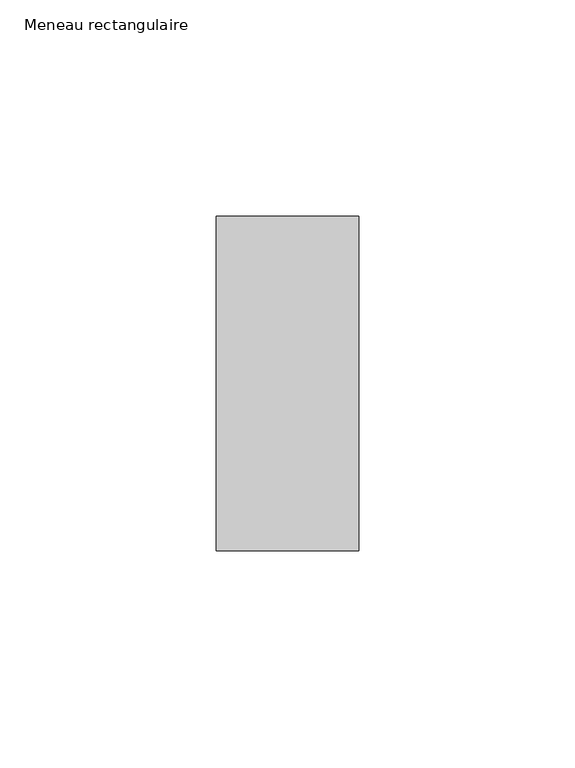
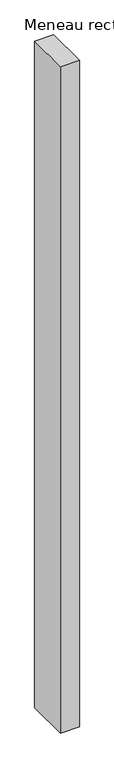
"""IFC4 building model written with IfcOpenShell, lengths in millimetres: member geometry, Meneau rectangulaire."""

import ifcopenshell
import ifcopenshell.guid

model = None  # the IFC model being written
_history = None  # IfcOwnerHistory: only IFC2X3 demands one
_inside = {}  # id of a spatial element -> (the spatial element, [elements in it])
_under = {}  # id of a project, library or spatial element -> (it, [spatial elements below it])
_declared = {}  # id of a project -> (the project, [libraries it declares])
_typed = {}  # id of a type object -> (the type object, [elements of that type])
_made_of = {}  # id of a material, layer set ... -> (it, [elements and type objects made of it])


def new_model(schema):
    """Start an empty IFC model of exactly this schema.

    Asked for "IFC4X3", IfcOpenShell would pick the latest addendum, in which some entities
    have other attributes; the version numbers below select the first issue.
    IFC2X3 requires an IfcOwnerHistory on every rooted entity: one is made here for all.
    """
    global model, _history
    if schema == "IFC4X3":
        model = ifcopenshell.file(schema_version=(4, 3, 0, 0))
    else:
        model = ifcopenshell.file(schema=schema)
    _inside.clear()
    _under.clear()
    _declared.clear()
    _typed.clear()
    _made_of.clear()
    _history = None
    if model.schema == "IFC2X3":
        org = make("IfcOrganization", Name="unknown")
        user = make(
            "IfcPersonAndOrganization",
            ThePerson=make("IfcPerson", FamilyName="unknown"),
            TheOrganization=org,
        )
        app = make(
            "IfcApplication",
            ApplicationDeveloper=org,
            Version="unknown",
            ApplicationFullName="unknown",
            ApplicationIdentifier="unknown",
        )
        _history = make(
            "IfcOwnerHistory",
            OwningUser=user,
            OwningApplication=app,
            ChangeAction="ADDED",
            CreationDate=0,
        )
    return model


def make(cls, **values):
    """One entity of the class cls with the attributes given. An attribute that is None is left unset."""
    return model.create_entity(
        cls, **{name: value for name, value in values.items() if value is not None}
    )


def rooted(cls, **values):
    """An entity with a GlobalId (a new one), such as an element, a storey or a relation."""
    return make(cls, GlobalId=ifcopenshell.guid.new(), OwnerHistory=_history, **values)


def si_unit(unit_type, name, prefix=None):
    """IfcSIUnit, for example si_unit("LENGTHUNIT", "METRE", prefix="MILLI")."""
    return make("IfcSIUnit", UnitType=unit_type, Prefix=prefix, Name=name)


def assignment(units):
    """IfcUnitAssignment: the units of a project."""
    return None if units is None else make("IfcUnitAssignment", Units=units)


def point(xyz):
    """IfcCartesianPoint."""
    return None if xyz is None else make("IfcCartesianPoint", Coordinates=xyz)


def direction(xyz):
    """IfcDirection."""
    return None if xyz is None else make("IfcDirection", DirectionRatios=xyz)


def frame(location, z_axis=None, x_axis=None):
    """IfcAxis2Placement3D, a coordinate frame: its origin and axes. An axis left out is left unset."""
    return make(
        "IfcAxis2Placement3D",
        Location=point(location),
        Axis=direction(z_axis),
        RefDirection=direction(x_axis),
    )


def origin():
    """The frame at (0, 0, 0) with its axes left unset."""
    return frame((0.0, 0.0, 0.0))


def place(relative_to, where):
    """IfcLocalPlacement: puts the frame where relative to a parent placement (None: the world)."""
    return make(
        "IfcLocalPlacement", PlacementRelTo=relative_to, RelativePlacement=where
    )


def context(
    kind, dimensions, precision=None, world=None, true_north=None, identifier=None
):
    """IfcGeometricRepresentationContext, for example the 3D "Model" context."""
    return make(
        "IfcGeometricRepresentationContext",
        ContextIdentifier=identifier,
        ContextType=kind,
        CoordinateSpaceDimension=dimensions,
        Precision=precision,
        WorldCoordinateSystem=world,
        TrueNorth=true_north,
    )


def project(units=None, contexts=None):
    """IfcProject with its units and contexts."""
    return rooted(
        "IfcProject",
        Name="project",
        RepresentationContexts=contexts,
        UnitsInContext=assignment(units),
    )


def spatial(cls, under=None, at=None, **own):
    """A site, building, storey or space (cls), placed at a placement, below another one or the project."""
    s = rooted(cls, ObjectPlacement=at, **own)
    if under is not None:
        _under.setdefault(under.id(), (under, []))[1].append(s)
    return s


def polyline(points):
    """IfcPolyline through the points."""
    return make("IfcPolyline", Points=[point(p) for p in points])


def outline(outer, holes=None, kind="AREA"):
    """IfcArbitraryClosedProfileDef: a profile drawn as a closed curve; with holes, ...WithVoids."""
    if holes is None:
        return make("IfcArbitraryClosedProfileDef", ProfileType=kind, OuterCurve=outer)
    return make(
        "IfcArbitraryProfileDefWithVoids",
        ProfileType=kind,
        OuterCurve=outer,
        InnerCurves=holes,
    )


def extrude(swept, where, along, depth):
    """IfcExtrudedAreaSolid: the profile swept, set in the frame where, extruded along a direction by depth."""
    return make(
        "IfcExtrudedAreaSolid",
        SweptArea=swept,
        Position=where,
        ExtrudedDirection=direction(along),
        Depth=depth,
    )


def shape(context_of_items, identifier, shape_type, items):
    """IfcShapeRepresentation: the items that make up one representation, for example the "Body"."""
    return make(
        "IfcShapeRepresentation",
        ContextOfItems=context_of_items,
        RepresentationIdentifier=identifier,
        RepresentationType=shape_type,
        Items=items,
    )


def source(mapping_origin, context_of_items, identifier, shape_type, items):
    """IfcRepresentationMap: a shape defined once, which mapped items show again and again."""
    return make(
        "IfcRepresentationMap",
        MappingOrigin=mapping_origin,
        MappedRepresentation=shape(context_of_items, identifier, shape_type, items),
    )


def transform(
    local_origin,
    x_axis=None,
    y_axis=None,
    z_axis=None,
    scale=None,
    scale2=None,
    scale3=None,
    uniform=True,
):
    """IfcCartesianTransformationOperator3D, or its non-uniform kind. x_axis, y_axis, z_axis: its Axis1, 2, 3."""
    if uniform:
        return make(
            "IfcCartesianTransformationOperator3D",
            Axis1=direction(x_axis),
            Axis2=direction(y_axis),
            LocalOrigin=point(local_origin),
            Scale=scale,
            Axis3=direction(z_axis),
        )
    return make(
        "IfcCartesianTransformationOperator3DnonUniform",
        Axis1=direction(x_axis),
        Axis2=direction(y_axis),
        LocalOrigin=point(local_origin),
        Scale=scale,
        Axis3=direction(z_axis),
        Scale2=scale2,
        Scale3=scale3,
    )


def mapped(mapping_source, mapping_target):
    """IfcMappedItem: shows the shape of a source again, moved by a transform."""
    return make(
        "IfcMappedItem", MappingSource=mapping_source, MappingTarget=mapping_target
    )


def made_of(thing, what):
    """Note that an element or type object is made of a material, layer set ...; save() writes the relation."""
    if what is not None:
        _made_of.setdefault(what.id(), (what, []))[1].append(thing)
    return thing


def element(
    cls,
    number,
    at=None,
    inside=None,
    cuts=None,
    type_object=None,
    material=None,
    context=None,
    identifier="Body",
    shape_type=None,
    held_by="IfcProductDefinitionShape",
    body=None,
    shapes=None,
    **own,
):
    """One element of the class cls, such as IfcWall. Its Tag is "e" and its number.

    at: its placement. inside: the storey or other place that contains it. cuts: it is an
    opening in that element (IfcRelVoidsElement). A single representation is given by context,
    identifier, shape_type and body (its items); several are given by shapes. held_by: the class
    of the entity that holds the representations. save() writes the other relations.
    """
    e = rooted(cls, Tag="e%d" % number, ObjectPlacement=at, **own)
    if body is not None:
        shapes = [shape(context, identifier, shape_type, body)]
    if shapes is not None:
        e.Representation = make(held_by, Representations=shapes)
    if inside is not None:
        _inside.setdefault(inside.id(), (inside, []))[1].append(e)
    if cuts is not None:
        rooted(
            "IfcRelVoidsElement", RelatingBuildingElement=cuts, RelatedOpeningElement=e
        )
    if type_object is not None:
        _typed.setdefault(type_object.id(), (type_object, []))[1].append(e)
    return made_of(e, material)


def aggregate(whole, parts):
    """IfcRelAggregates: a whole, such as a stair, and the parts it consists of."""
    return rooted("IfcRelAggregates", RelatingObject=whole, RelatedObjects=parts)


def save(model, path):
    """Write the relations noted so far, then the file.

    IfcRelAggregates (storeys below a building ...), IfcRelContainedInSpatialStructure (elements
    in a storey), IfcRelDefinesByType, IfcRelAssociatesMaterial and IfcRelDeclares: one each for
    every whole, place, type object, material and project.
    """
    for whole, parts in _under.values():
        aggregate(whole, parts)
    for where, things in _inside.values():
        rooted(
            "IfcRelContainedInSpatialStructure",
            RelatedElements=things,
            RelatingStructure=where,
        )
    for kind, things in _typed.values():
        rooted("IfcRelDefinesByType", RelatedObjects=things, RelatingType=kind)
    for what, things in _made_of.values():
        rooted("IfcRelAssociatesMaterial", RelatedObjects=things, RelatingMaterial=what)
    for by, libraries in _declared.values():
        rooted("IfcRelDeclares", RelatingContext=by, RelatedDefinitions=libraries)
    model.write(path)


def meneau_rectangulaire_cd091dad(model_context):
    return source(origin(), model_context, "Body", "SweptSolid", [
        extrude(outline(polyline([(0.0, 38.75), (0.0, -38.75), (-33.0, -38.75), (-33.0, 38.75), (0.0, 38.75)])), frame((0.0, 0.0, -1227.2499998), z_axis=(0.0, 0.0, 1.0), x_axis=(1.0, 0.0, 0.0)), (0.0, 0.0, 1.0), 1227.2499998),
    ])


if __name__ == "__main__":
    model = new_model("IFC4")
    model_context = context("Model", 3, world=origin())
    ifc_project = project(units=[si_unit("LENGTHUNIT", "METRE", prefix="MILLI")], contexts=[model_context])
    site = spatial("IfcSite", under=ifc_project)
    building = spatial("IfcBuilding", under=site)
    placement = place(None, origin())
    meneau_rectangulaire_shape = meneau_rectangulaire_cd091dad(model_context)
    element("IfcMember", 1, ObjectType="Meneau rectangulaire", at=placement, inside=building, context=model_context, shape_type="MappedRepresentation", body=[
        mapped(meneau_rectangulaire_shape, transform((0.0, 0.0, 0.0), x_axis=(1.0, 0.0, 0.0), y_axis=(0.0, 1.0, 0.0), z_axis=(0.0, 0.0, 1.0))),
    ])
    save(model, "model.ifc")
